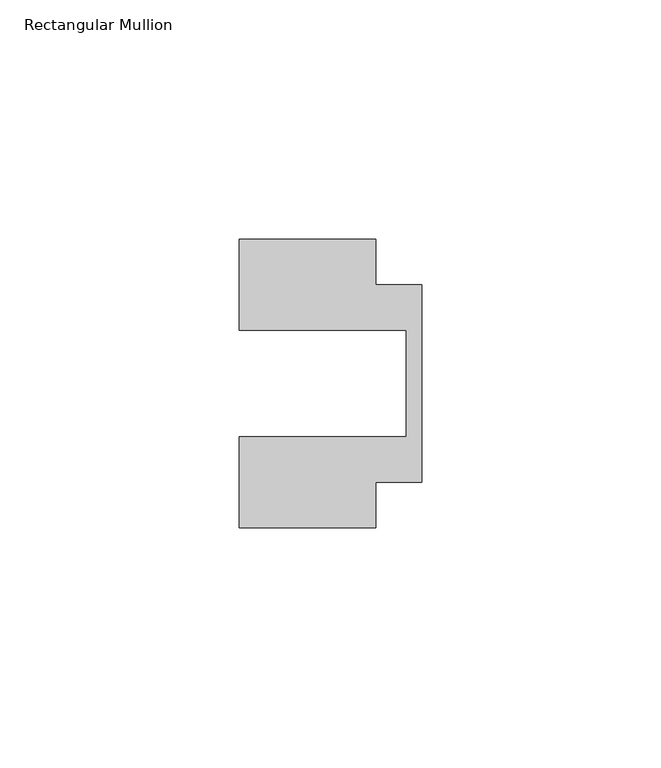
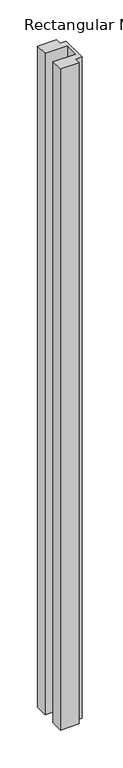
"""IFC4 building model written with IfcOpenShell, lengths in millimetres: member geometry, Rectangular Mullion."""

from ifc_helpers import new_model, si_unit, frame, origin, place, context, project, spatial, polyline, outline, extrude, source, transform, mapped, element, save


def rectangular_mullion_9415f948(model_context):
    return source(origin(), model_context, "Body", "SweptSolid", [
        extrude(outline(polyline([(-38.1, 11.1125), (-38.1, 30.1625), (-9.525, 30.1625), (-9.525, 20.6375), (0.0, 20.6375), (0.0, -20.6375), (-9.525, -20.6375), (-9.525, -30.1625), (-38.1, -30.1625), (-38.1, -11.1125), (-3.175, -11.1125), (-3.175, 11.1125), (-38.1, 11.1125)])), frame((0.0, 0.0, -1066.8), z_axis=(0.0, 0.0, 1.0), x_axis=(1.0, 0.0, 0.0)), (0.0, 0.0, 1.0), 1066.8),
    ])


if __name__ == "__main__":
    model = new_model("IFC4")
    model_context = context("Model", 3, world=origin())
    ifc_project = project(units=[si_unit("LENGTHUNIT", "METRE", prefix="MILLI")], contexts=[model_context])
    site = spatial("IfcSite", under=ifc_project)
    building = spatial("IfcBuilding", under=site)
    placement = place(None, origin())
    rectangular_mullion_shape = rectangular_mullion_9415f948(model_context)
    element("IfcMember", 1, ObjectType="Rectangular Mullion", at=placement, inside=building, context=model_context, shape_type="MappedRepresentation", body=[
        mapped(rectangular_mullion_shape, transform((0.0, 0.0, 0.0), x_axis=(1.0, 0.0, 0.0), y_axis=(0.0, 1.0, 0.0), z_axis=(0.0, 0.0, 1.0))),
    ])
    save(model, "model.ifc")
